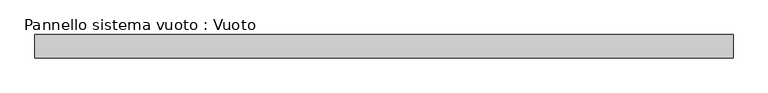
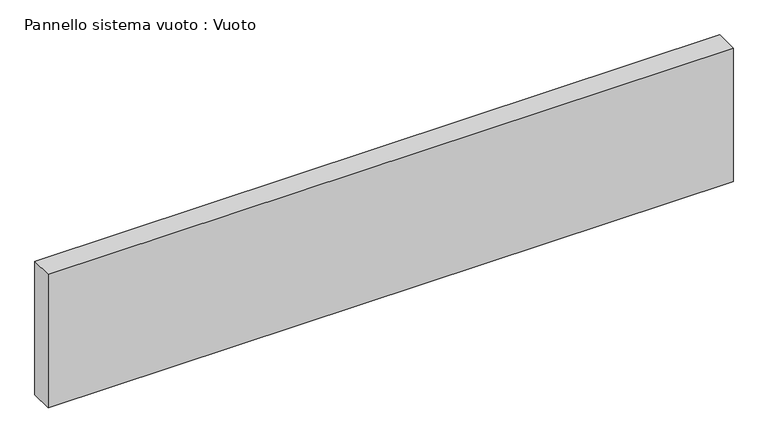
"""IFC4 building model written with IfcOpenShell, lengths in millimetres: plate geometry, Pannello sistema vuoto : Vuoto."""

from ifc_helpers import new_model, si_unit, origin, origin_with_axes, place, context, project, spatial, polyline, outline, extrude, source, transform, mapped, element, save


def pannello_sistema_vuoto_vuoto_7a97605f(model_context):
    return source(origin(), model_context, "Body", "SweptSolid", [
        extrude(outline(polyline([(1500.0, -50.0), (-1500.0, -50.0), (-1500.0, 50.0), (1500.0, 50.0), (1500.0, -50.0)])), origin_with_axes(), (0.0, 0.0, 1.0), 618.2),
    ])


if __name__ == "__main__":
    model = new_model("IFC4")
    model_context = context("Model", 3, world=origin())
    ifc_project = project(units=[si_unit("LENGTHUNIT", "METRE", prefix="MILLI")], contexts=[model_context])
    site = spatial("IfcSite", under=ifc_project)
    building = spatial("IfcBuilding", under=site)
    placement = place(None, origin())
    pannello_sistema_vuoto_vuoto_shape = pannello_sistema_vuoto_vuoto_7a97605f(model_context)
    element("IfcPlate", 1, ObjectType="Pannello sistema vuoto : Vuoto", at=placement, inside=building, context=model_context, shape_type="MappedRepresentation", body=[
        mapped(pannello_sistema_vuoto_vuoto_shape, transform((0.0, 0.0, 0.0), x_axis=(1.0, 0.0, 0.0), y_axis=(0.0, 1.0, 0.0), z_axis=(0.0, 0.0, 1.0))),
    ])
    save(model, "model.ifc")
